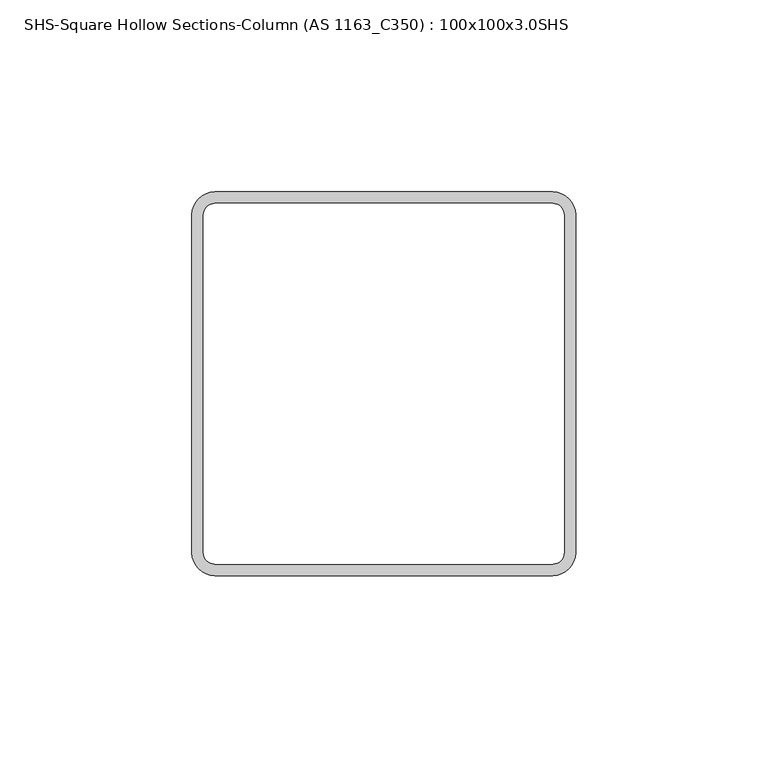
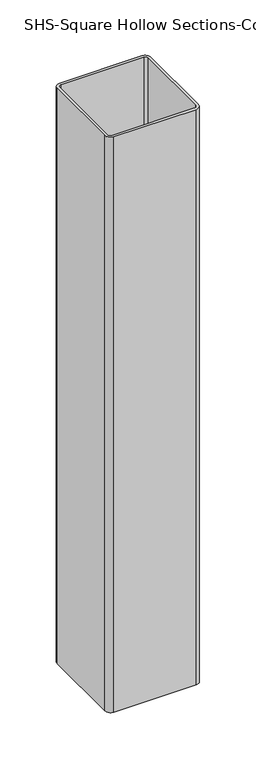
"""IFC4 building model written with IfcOpenShell, lengths in millimetres: column geometry, SHS-Square Hollow Sections-Column (AS 1163_C350) : 100x100x3.0SHS."""

import ifcopenshell
import ifcopenshell.guid

model = None  # the IFC model being written
_history = None  # IfcOwnerHistory: only IFC2X3 demands one
_inside = {}  # id of a spatial element -> (the spatial element, [elements in it])
_under = {}  # id of a project, library or spatial element -> (it, [spatial elements below it])
_declared = {}  # id of a project -> (the project, [libraries it declares])
_typed = {}  # id of a type object -> (the type object, [elements of that type])
_made_of = {}  # id of a material, layer set ... -> (it, [elements and type objects made of it])


def new_model(schema):
    """Start an empty IFC model of exactly this schema.

    Asked for "IFC4X3", IfcOpenShell would pick the latest addendum, in which some entities
    have other attributes; the version numbers below select the first issue.
    IFC2X3 requires an IfcOwnerHistory on every rooted entity: one is made here for all.
    """
    global model, _history
    if schema == "IFC4X3":
        model = ifcopenshell.file(schema_version=(4, 3, 0, 0))
    else:
        model = ifcopenshell.file(schema=schema)
    _inside.clear()
    _under.clear()
    _declared.clear()
    _typed.clear()
    _made_of.clear()
    _history = None
    if model.schema == "IFC2X3":
        org = make("IfcOrganization", Name="unknown")
        user = make(
            "IfcPersonAndOrganization",
            ThePerson=make("IfcPerson", FamilyName="unknown"),
            TheOrganization=org,
        )
        app = make(
            "IfcApplication",
            ApplicationDeveloper=org,
            Version="unknown",
            ApplicationFullName="unknown",
            ApplicationIdentifier="unknown",
        )
        _history = make(
            "IfcOwnerHistory",
            OwningUser=user,
            OwningApplication=app,
            ChangeAction="ADDED",
            CreationDate=0,
        )
    return model


def make(cls, **values):
    """One entity of the class cls with the attributes given. An attribute that is None is left unset."""
    return model.create_entity(
        cls, **{name: value for name, value in values.items() if value is not None}
    )


def rooted(cls, **values):
    """An entity with a GlobalId (a new one), such as an element, a storey or a relation."""
    return make(cls, GlobalId=ifcopenshell.guid.new(), OwnerHistory=_history, **values)


def si_unit(unit_type, name, prefix=None):
    """IfcSIUnit, for example si_unit("LENGTHUNIT", "METRE", prefix="MILLI")."""
    return make("IfcSIUnit", UnitType=unit_type, Prefix=prefix, Name=name)


def assignment(units):
    """IfcUnitAssignment: the units of a project."""
    return None if units is None else make("IfcUnitAssignment", Units=units)


def point(xyz):
    """IfcCartesianPoint."""
    return None if xyz is None else make("IfcCartesianPoint", Coordinates=xyz)


def direction(xyz):
    """IfcDirection."""
    return None if xyz is None else make("IfcDirection", DirectionRatios=xyz)


def frame(location, z_axis=None, x_axis=None):
    """IfcAxis2Placement3D, a coordinate frame: its origin and axes. An axis left out is left unset."""
    return make(
        "IfcAxis2Placement3D",
        Location=point(location),
        Axis=direction(z_axis),
        RefDirection=direction(x_axis),
    )


def frame_2d(location, x_axis=None):
    """IfcAxis2Placement2D, a coordinate frame in the plane: its origin and x axis."""
    return make(
        "IfcAxis2Placement2D", Location=point(location), RefDirection=direction(x_axis)
    )


def origin():
    """The frame at (0, 0, 0) with its axes left unset."""
    return frame((0.0, 0.0, 0.0))


def place(relative_to, where):
    """IfcLocalPlacement: puts the frame where relative to a parent placement (None: the world)."""
    return make(
        "IfcLocalPlacement", PlacementRelTo=relative_to, RelativePlacement=where
    )


def context(
    kind, dimensions, precision=None, world=None, true_north=None, identifier=None
):
    """IfcGeometricRepresentationContext, for example the 3D "Model" context."""
    return make(
        "IfcGeometricRepresentationContext",
        ContextIdentifier=identifier,
        ContextType=kind,
        CoordinateSpaceDimension=dimensions,
        Precision=precision,
        WorldCoordinateSystem=world,
        TrueNorth=true_north,
    )


def project(units=None, contexts=None):
    """IfcProject with its units and contexts."""
    return rooted(
        "IfcProject",
        Name="project",
        RepresentationContexts=contexts,
        UnitsInContext=assignment(units),
    )


def spatial(cls, under=None, at=None, **own):
    """A site, building, storey or space (cls), placed at a placement, below another one or the project."""
    s = rooted(cls, ObjectPlacement=at, **own)
    if under is not None:
        _under.setdefault(under.id(), (under, []))[1].append(s)
    return s


def polyline(points):
    """IfcPolyline through the points."""
    return make("IfcPolyline", Points=[point(p) for p in points])


def circle_curve(where, radius):
    """IfcCircle in the frame where."""
    return make("IfcCircle", Position=where, Radius=radius)


def trimmed(basis, trim1, trim2, sense, master):
    """IfcTrimmedCurve: the piece of a basis curve between two trims."""
    return make(
        "IfcTrimmedCurve",
        BasisCurve=basis,
        Trim1=trim1,
        Trim2=trim2,
        SenseAgreement=sense,
        MasterRepresentation=master,
    )


def segment(curve, same_sense, transition):
    """IfcCompositeCurveSegment."""
    return make(
        "IfcCompositeCurveSegment",
        Transition=transition,
        SameSense=same_sense,
        ParentCurve=curve,
    )


def composite_curve(segments, self_intersect=None):
    """IfcCompositeCurve: segments joined end to end."""
    return make("IfcCompositeCurve", Segments=segments, SelfIntersect=self_intersect)


def outline(outer, holes=None, kind="AREA"):
    """IfcArbitraryClosedProfileDef: a profile drawn as a closed curve; with holes, ...WithVoids."""
    if holes is None:
        return make("IfcArbitraryClosedProfileDef", ProfileType=kind, OuterCurve=outer)
    return make(
        "IfcArbitraryProfileDefWithVoids",
        ProfileType=kind,
        OuterCurve=outer,
        InnerCurves=holes,
    )


def extrude(swept, where, along, depth):
    """IfcExtrudedAreaSolid: the profile swept, set in the frame where, extruded along a direction by depth."""
    return make(
        "IfcExtrudedAreaSolid",
        SweptArea=swept,
        Position=where,
        ExtrudedDirection=direction(along),
        Depth=depth,
    )


def shape(context_of_items, identifier, shape_type, items):
    """IfcShapeRepresentation: the items that make up one representation, for example the "Body"."""
    return make(
        "IfcShapeRepresentation",
        ContextOfItems=context_of_items,
        RepresentationIdentifier=identifier,
        RepresentationType=shape_type,
        Items=items,
    )


def source(mapping_origin, context_of_items, identifier, shape_type, items):
    """IfcRepresentationMap: a shape defined once, which mapped items show again and again."""
    return make(
        "IfcRepresentationMap",
        MappingOrigin=mapping_origin,
        MappedRepresentation=shape(context_of_items, identifier, shape_type, items),
    )


def transform(
    local_origin,
    x_axis=None,
    y_axis=None,
    z_axis=None,
    scale=None,
    scale2=None,
    scale3=None,
    uniform=True,
):
    """IfcCartesianTransformationOperator3D, or its non-uniform kind. x_axis, y_axis, z_axis: its Axis1, 2, 3."""
    if uniform:
        return make(
            "IfcCartesianTransformationOperator3D",
            Axis1=direction(x_axis),
            Axis2=direction(y_axis),
            LocalOrigin=point(local_origin),
            Scale=scale,
            Axis3=direction(z_axis),
        )
    return make(
        "IfcCartesianTransformationOperator3DnonUniform",
        Axis1=direction(x_axis),
        Axis2=direction(y_axis),
        LocalOrigin=point(local_origin),
        Scale=scale,
        Axis3=direction(z_axis),
        Scale2=scale2,
        Scale3=scale3,
    )


def mapped(mapping_source, mapping_target):
    """IfcMappedItem: shows the shape of a source again, moved by a transform."""
    return make(
        "IfcMappedItem", MappingSource=mapping_source, MappingTarget=mapping_target
    )


def made_of(thing, what):
    """Note that an element or type object is made of a material, layer set ...; save() writes the relation."""
    if what is not None:
        _made_of.setdefault(what.id(), (what, []))[1].append(thing)
    return thing


def element(
    cls,
    number,
    at=None,
    inside=None,
    cuts=None,
    type_object=None,
    material=None,
    context=None,
    identifier="Body",
    shape_type=None,
    held_by="IfcProductDefinitionShape",
    body=None,
    shapes=None,
    **own,
):
    """One element of the class cls, such as IfcWall. Its Tag is "e" and its number.

    at: its placement. inside: the storey or other place that contains it. cuts: it is an
    opening in that element (IfcRelVoidsElement). A single representation is given by context,
    identifier, shape_type and body (its items); several are given by shapes. held_by: the class
    of the entity that holds the representations. save() writes the other relations.
    """
    e = rooted(cls, Tag="e%d" % number, ObjectPlacement=at, **own)
    if body is not None:
        shapes = [shape(context, identifier, shape_type, body)]
    if shapes is not None:
        e.Representation = make(held_by, Representations=shapes)
    if inside is not None:
        _inside.setdefault(inside.id(), (inside, []))[1].append(e)
    if cuts is not None:
        rooted(
            "IfcRelVoidsElement", RelatingBuildingElement=cuts, RelatedOpeningElement=e
        )
    if type_object is not None:
        _typed.setdefault(type_object.id(), (type_object, []))[1].append(e)
    return made_of(e, material)


def aggregate(whole, parts):
    """IfcRelAggregates: a whole, such as a stair, and the parts it consists of."""
    return rooted("IfcRelAggregates", RelatingObject=whole, RelatedObjects=parts)


def save(model, path):
    """Write the relations noted so far, then the file.

    IfcRelAggregates (storeys below a building ...), IfcRelContainedInSpatialStructure (elements
    in a storey), IfcRelDefinesByType, IfcRelAssociatesMaterial and IfcRelDeclares: one each for
    every whole, place, type object, material and project.
    """
    for whole, parts in _under.values():
        aggregate(whole, parts)
    for where, things in _inside.values():
        rooted(
            "IfcRelContainedInSpatialStructure",
            RelatedElements=things,
            RelatingStructure=where,
        )
    for kind, things in _typed.values():
        rooted("IfcRelDefinesByType", RelatedObjects=things, RelatingType=kind)
    for what, things in _made_of.values():
        rooted("IfcRelAssociatesMaterial", RelatedObjects=things, RelatingMaterial=what)
    for by, libraries in _declared.values():
        rooted("IfcRelDeclares", RelatingContext=by, RelatedDefinitions=libraries)
    model.write(path)


def shs_square_hollow_sections_column_as_1163_c350_100x100x3_b1f36f39(model_context):
    return source(origin(), model_context, "Body", "SweptSolid", [
        extrude(outline(composite_curve([segment(trimmed(circle_curve(frame_2d((44.0, 44.0)), 6.0), [point((44.0, 50.0))], [point((50.0, 44.0))], False, "CARTESIAN"), True, "CONTINUOUS"), segment(polyline([(50.0, 44.0), (50.0, -44.0)]), True, "CONTINUOUS"), segment(trimmed(circle_curve(frame_2d((44.0, -44.0)), 6.0), [point((50.0, -44.0))], [point((44.0, -50.0))], False, "CARTESIAN"), True, "CONTINUOUS"), segment(polyline([(44.0, -50.0), (-44.0, -50.0)]), True, "CONTINUOUS"), segment(trimmed(circle_curve(frame_2d((-44.0, -44.0)), 6.0), [point((-44.0, -50.0))], [point((-50.0, -44.0))], False, "CARTESIAN"), True, "CONTINUOUS"), segment(polyline([(-50.0, -44.0), (-50.0, 44.0)]), True, "CONTINUOUS"), segment(trimmed(circle_curve(frame_2d((-44.0, 44.0)), 6.0), [point((-50.0, 44.0))], [point((-44.0, 50.0))], False, "CARTESIAN"), True, "CONTINUOUS"), segment(polyline([(-44.0, 50.0), (44.0, 50.0)]), True, "CONTINUOUS")], self_intersect=False), holes=[composite_curve([segment(polyline([(44.0, 47.0), (-44.0, 47.0)]), True, "CONTINUOUS"), segment(trimmed(circle_curve(frame_2d((-44.0, 44.0)), 3.0), [point((-44.0, 47.0))], [point((-47.0, 44.0))], True, "CARTESIAN"), True, "CONTINUOUS"), segment(polyline([(-47.0, 44.0), (-47.0, -44.0)]), True, "CONTINUOUS"), segment(trimmed(circle_curve(frame_2d((-44.0, -44.0)), 3.0), [point((-47.0, -44.0))], [point((-44.0, -47.0))], True, "CARTESIAN"), True, "CONTINUOUS"), segment(polyline([(-44.0, -47.0), (44.0, -47.0)]), True, "CONTINUOUS"), segment(trimmed(circle_curve(frame_2d((44.0, -44.0)), 3.0), [point((44.0, -47.0))], [point((47.0, -44.0))], True, "CARTESIAN"), True, "CONTINUOUS"), segment(polyline([(47.0, -44.0), (47.0, 44.0)]), True, "CONTINUOUS"), segment(trimmed(circle_curve(frame_2d((44.0, 44.0)), 3.0), [point((47.0, 44.0))], [point((44.0, 47.0))], True, "CARTESIAN"), True, "CONTINUOUS")], self_intersect=False)]), frame((0.0, 0.0, 286.0), z_axis=(0.0, 0.0, 1.0), x_axis=(1.0, 0.0, 0.0)), (0.0, 0.0, 1.0), 650.0),
    ])


if __name__ == "__main__":
    model = new_model("IFC4")
    model_context = context("Model", 3, world=origin())
    ifc_project = project(units=[si_unit("LENGTHUNIT", "METRE", prefix="MILLI")], contexts=[model_context])
    site = spatial("IfcSite", under=ifc_project)
    building = spatial("IfcBuilding", under=site)
    placement = place(None, origin())
    shs_square_hollow_sections_column_as_1163_c350_100x100x3_shape = shs_square_hollow_sections_column_as_1163_c350_100x100x3_b1f36f39(model_context)
    element("IfcColumn", 1, ObjectType="SHS-Square Hollow Sections-Column (AS 1163_C350) : 100x100x3.0SHS", at=placement, inside=building, context=model_context, shape_type="MappedRepresentation", body=[
        mapped(shs_square_hollow_sections_column_as_1163_c350_100x100x3_shape, transform((0.0, 0.0, 0.0), x_axis=(1.0, 0.0, 0.0), y_axis=(0.0, 1.0, 0.0), z_axis=(0.0, 0.0, 1.0))),
    ])
    save(model, "model.ifc")
